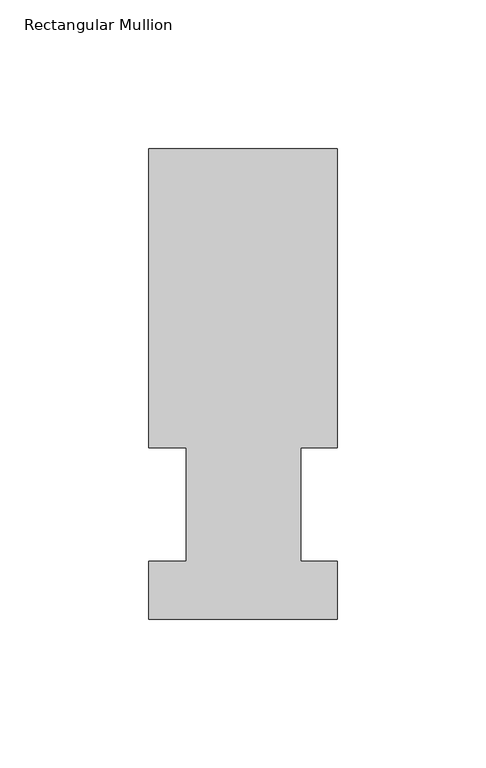
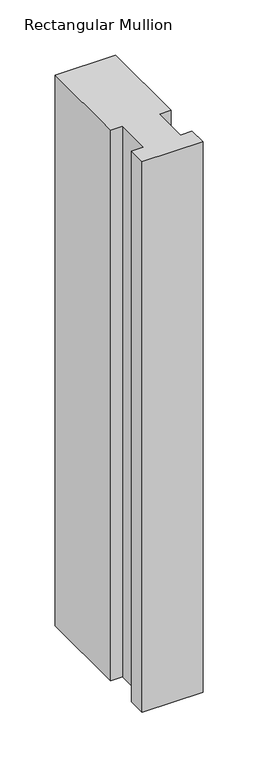
"""IFC4 building model written with IfcOpenShell, lengths in millimetres: member geometry, Rectangular Mullion."""

import ifcopenshell
import ifcopenshell.guid

model = None  # the IFC model being written
_history = None  # IfcOwnerHistory: only IFC2X3 demands one
_inside = {}  # id of a spatial element -> (the spatial element, [elements in it])
_under = {}  # id of a project, library or spatial element -> (it, [spatial elements below it])
_declared = {}  # id of a project -> (the project, [libraries it declares])
_typed = {}  # id of a type object -> (the type object, [elements of that type])
_made_of = {}  # id of a material, layer set ... -> (it, [elements and type objects made of it])


def new_model(schema):
    """Start an empty IFC model of exactly this schema.

    Asked for "IFC4X3", IfcOpenShell would pick the latest addendum, in which some entities
    have other attributes; the version numbers below select the first issue.
    IFC2X3 requires an IfcOwnerHistory on every rooted entity: one is made here for all.
    """
    global model, _history
    if schema == "IFC4X3":
        model = ifcopenshell.file(schema_version=(4, 3, 0, 0))
    else:
        model = ifcopenshell.file(schema=schema)
    _inside.clear()
    _under.clear()
    _declared.clear()
    _typed.clear()
    _made_of.clear()
    _history = None
    if model.schema == "IFC2X3":
        org = make("IfcOrganization", Name="unknown")
        user = make(
            "IfcPersonAndOrganization",
            ThePerson=make("IfcPerson", FamilyName="unknown"),
            TheOrganization=org,
        )
        app = make(
            "IfcApplication",
            ApplicationDeveloper=org,
            Version="unknown",
            ApplicationFullName="unknown",
            ApplicationIdentifier="unknown",
        )
        _history = make(
            "IfcOwnerHistory",
            OwningUser=user,
            OwningApplication=app,
            ChangeAction="ADDED",
            CreationDate=0,
        )
    return model


def make(cls, **values):
    """One entity of the class cls with the attributes given. An attribute that is None is left unset."""
    return model.create_entity(
        cls, **{name: value for name, value in values.items() if value is not None}
    )


def rooted(cls, **values):
    """An entity with a GlobalId (a new one), such as an element, a storey or a relation."""
    return make(cls, GlobalId=ifcopenshell.guid.new(), OwnerHistory=_history, **values)


def si_unit(unit_type, name, prefix=None):
    """IfcSIUnit, for example si_unit("LENGTHUNIT", "METRE", prefix="MILLI")."""
    return make("IfcSIUnit", UnitType=unit_type, Prefix=prefix, Name=name)


def assignment(units):
    """IfcUnitAssignment: the units of a project."""
    return None if units is None else make("IfcUnitAssignment", Units=units)


def point(xyz):
    """IfcCartesianPoint."""
    return None if xyz is None else make("IfcCartesianPoint", Coordinates=xyz)


def direction(xyz):
    """IfcDirection."""
    return None if xyz is None else make("IfcDirection", DirectionRatios=xyz)


def frame(location, z_axis=None, x_axis=None):
    """IfcAxis2Placement3D, a coordinate frame: its origin and axes. An axis left out is left unset."""
    return make(
        "IfcAxis2Placement3D",
        Location=point(location),
        Axis=direction(z_axis),
        RefDirection=direction(x_axis),
    )


def origin():
    """The frame at (0, 0, 0) with its axes left unset."""
    return frame((0.0, 0.0, 0.0))


def place(relative_to, where):
    """IfcLocalPlacement: puts the frame where relative to a parent placement (None: the world)."""
    return make(
        "IfcLocalPlacement", PlacementRelTo=relative_to, RelativePlacement=where
    )


def context(
    kind, dimensions, precision=None, world=None, true_north=None, identifier=None
):
    """IfcGeometricRepresentationContext, for example the 3D "Model" context."""
    return make(
        "IfcGeometricRepresentationContext",
        ContextIdentifier=identifier,
        ContextType=kind,
        CoordinateSpaceDimension=dimensions,
        Precision=precision,
        WorldCoordinateSystem=world,
        TrueNorth=true_north,
    )


def project(units=None, contexts=None):
    """IfcProject with its units and contexts."""
    return rooted(
        "IfcProject",
        Name="project",
        RepresentationContexts=contexts,
        UnitsInContext=assignment(units),
    )


def spatial(cls, under=None, at=None, **own):
    """A site, building, storey or space (cls), placed at a placement, below another one or the project."""
    s = rooted(cls, ObjectPlacement=at, **own)
    if under is not None:
        _under.setdefault(under.id(), (under, []))[1].append(s)
    return s


def polyline(points):
    """IfcPolyline through the points."""
    return make("IfcPolyline", Points=[point(p) for p in points])


def outline(outer, holes=None, kind="AREA"):
    """IfcArbitraryClosedProfileDef: a profile drawn as a closed curve; with holes, ...WithVoids."""
    if holes is None:
        return make("IfcArbitraryClosedProfileDef", ProfileType=kind, OuterCurve=outer)
    return make(
        "IfcArbitraryProfileDefWithVoids",
        ProfileType=kind,
        OuterCurve=outer,
        InnerCurves=holes,
    )


def extrude(swept, where, along, depth):
    """IfcExtrudedAreaSolid: the profile swept, set in the frame where, extruded along a direction by depth."""
    return make(
        "IfcExtrudedAreaSolid",
        SweptArea=swept,
        Position=where,
        ExtrudedDirection=direction(along),
        Depth=depth,
    )


def shape(context_of_items, identifier, shape_type, items):
    """IfcShapeRepresentation: the items that make up one representation, for example the "Body"."""
    return make(
        "IfcShapeRepresentation",
        ContextOfItems=context_of_items,
        RepresentationIdentifier=identifier,
        RepresentationType=shape_type,
        Items=items,
    )


def source(mapping_origin, context_of_items, identifier, shape_type, items):
    """IfcRepresentationMap: a shape defined once, which mapped items show again and again."""
    return make(
        "IfcRepresentationMap",
        MappingOrigin=mapping_origin,
        MappedRepresentation=shape(context_of_items, identifier, shape_type, items),
    )


def transform(
    local_origin,
    x_axis=None,
    y_axis=None,
    z_axis=None,
    scale=None,
    scale2=None,
    scale3=None,
    uniform=True,
):
    """IfcCartesianTransformationOperator3D, or its non-uniform kind. x_axis, y_axis, z_axis: its Axis1, 2, 3."""
    if uniform:
        return make(
            "IfcCartesianTransformationOperator3D",
            Axis1=direction(x_axis),
            Axis2=direction(y_axis),
            LocalOrigin=point(local_origin),
            Scale=scale,
            Axis3=direction(z_axis),
        )
    return make(
        "IfcCartesianTransformationOperator3DnonUniform",
        Axis1=direction(x_axis),
        Axis2=direction(y_axis),
        LocalOrigin=point(local_origin),
        Scale=scale,
        Axis3=direction(z_axis),
        Scale2=scale2,
        Scale3=scale3,
    )


def mapped(mapping_source, mapping_target):
    """IfcMappedItem: shows the shape of a source again, moved by a transform."""
    return make(
        "IfcMappedItem", MappingSource=mapping_source, MappingTarget=mapping_target
    )


def made_of(thing, what):
    """Note that an element or type object is made of a material, layer set ...; save() writes the relation."""
    if what is not None:
        _made_of.setdefault(what.id(), (what, []))[1].append(thing)
    return thing


def element(
    cls,
    number,
    at=None,
    inside=None,
    cuts=None,
    type_object=None,
    material=None,
    context=None,
    identifier="Body",
    shape_type=None,
    held_by="IfcProductDefinitionShape",
    body=None,
    shapes=None,
    **own,
):
    """One element of the class cls, such as IfcWall. Its Tag is "e" and its number.

    at: its placement. inside: the storey or other place that contains it. cuts: it is an
    opening in that element (IfcRelVoidsElement). A single representation is given by context,
    identifier, shape_type and body (its items); several are given by shapes. held_by: the class
    of the entity that holds the representations. save() writes the other relations.
    """
    e = rooted(cls, Tag="e%d" % number, ObjectPlacement=at, **own)
    if body is not None:
        shapes = [shape(context, identifier, shape_type, body)]
    if shapes is not None:
        e.Representation = make(held_by, Representations=shapes)
    if inside is not None:
        _inside.setdefault(inside.id(), (inside, []))[1].append(e)
    if cuts is not None:
        rooted(
            "IfcRelVoidsElement", RelatingBuildingElement=cuts, RelatedOpeningElement=e
        )
    if type_object is not None:
        _typed.setdefault(type_object.id(), (type_object, []))[1].append(e)
    return made_of(e, material)


def aggregate(whole, parts):
    """IfcRelAggregates: a whole, such as a stair, and the parts it consists of."""
    return rooted("IfcRelAggregates", RelatingObject=whole, RelatedObjects=parts)


def save(model, path):
    """Write the relations noted so far, then the file.

    IfcRelAggregates (storeys below a building ...), IfcRelContainedInSpatialStructure (elements
    in a storey), IfcRelDefinesByType, IfcRelAssociatesMaterial and IfcRelDeclares: one each for
    every whole, place, type object, material and project.
    """
    for whole, parts in _under.values():
        aggregate(whole, parts)
    for where, things in _inside.values():
        rooted(
            "IfcRelContainedInSpatialStructure",
            RelatedElements=things,
            RelatingStructure=where,
        )
    for kind, things in _typed.values():
        rooted("IfcRelDefinesByType", RelatedObjects=things, RelatingType=kind)
    for what, things in _made_of.values():
        rooted("IfcRelAssociatesMaterial", RelatedObjects=things, RelatingMaterial=what)
    for by, libraries in _declared.values():
        rooted("IfcRelDeclares", RelatingContext=by, RelatedDefinitions=libraries)
    model.write(path)


def rectangular_mullion_b09a3b79(model_context):
    return source(origin(), model_context, "Body", "SweptSolid", [
        extrude(outline(polyline([(-63.5, 57.6460937), (-63.5, 158.3316937), (0.0, 158.3316937), (0.0, 57.6460937), (-12.3418395, 57.6460937), (-12.3418395, 19.5460937), (0.0, 19.5460937), (0.0, 0.0134937), (-63.5, 0.0134937), (-63.5, 19.5460937), (-50.8, 19.5460937), (-50.8, 57.6460937), (-63.5, 57.6460937)])), frame((0.0, 0.0, -609.6), z_axis=(0.0, 0.0, 1.0), x_axis=(1.0, 0.0, 0.0)), (0.0, 0.0, 1.0), 609.6),
    ])


if __name__ == "__main__":
    model = new_model("IFC4")
    model_context = context("Model", 3, world=origin())
    ifc_project = project(units=[si_unit("LENGTHUNIT", "METRE", prefix="MILLI")], contexts=[model_context])
    site = spatial("IfcSite", under=ifc_project)
    building = spatial("IfcBuilding", under=site)
    placement = place(None, origin())
    rectangular_mullion_shape = rectangular_mullion_b09a3b79(model_context)
    element("IfcMember", 1, ObjectType="Rectangular Mullion", at=placement, inside=building, context=model_context, shape_type="MappedRepresentation", body=[
        mapped(rectangular_mullion_shape, transform((0.0, 0.0, 0.0), x_axis=(1.0, 0.0, 0.0), y_axis=(0.0, 1.0, 0.0), z_axis=(0.0, 0.0, 1.0))),
    ])
    save(model, "model.ifc")
